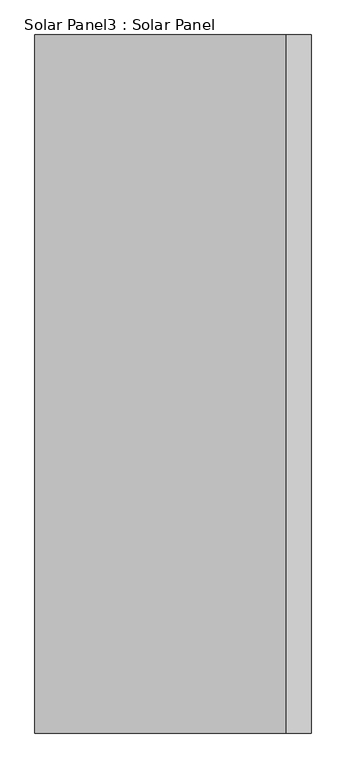
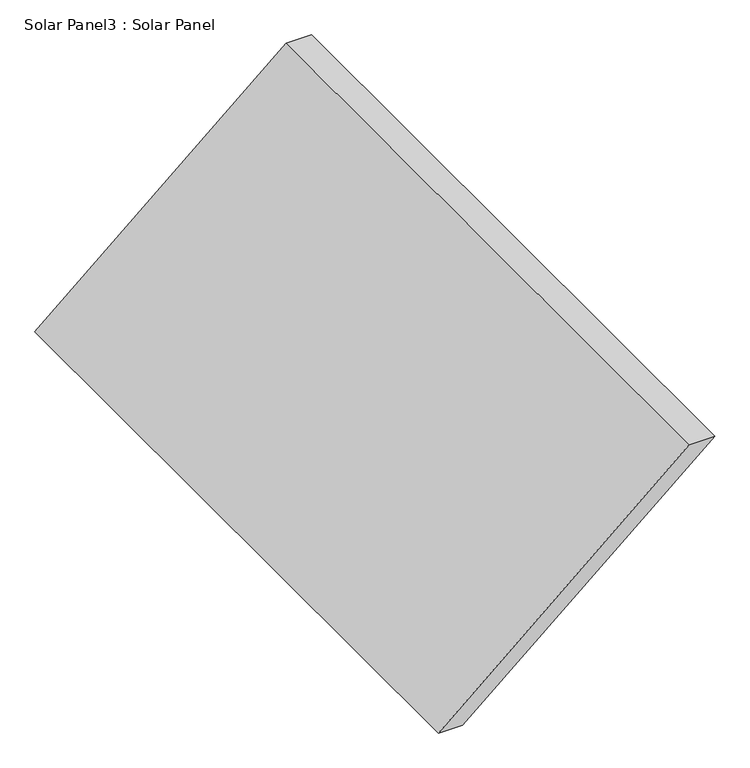
"""IFC4 building model written with IfcOpenShell, lengths in millimetres: air terminal geometry, Solar Panel3 : Solar Panel."""

from ifc_helpers import new_model, si_unit, frame, origin, place, context, project, spatial, polyline, outline, extrude, source, transform, mapped, element, save


def solar_panel3_solar_panel_8edbe91d(model_context):
    return source(origin(), model_context, "Body", "SweptSolid", [
        extrude(outline(polyline([(5700.0, 21398.9454633), (5700.0, 21498.9454633), (6600.0, 22545.8618954), (6600.0, 22439.9444116), (5700.0, 21398.9454633)])), frame((0.0, 8135.512651, 0.0), z_axis=(0.0, 1.0, 0.0), x_axis=(0.0, 0.0, 1.0)), (0.0, 0.0, 1.0), 2900.0),
    ])


if __name__ == "__main__":
    model = new_model("IFC4")
    model_context = context("Model", 3, world=origin())
    ifc_project = project(units=[si_unit("LENGTHUNIT", "METRE", prefix="MILLI")], contexts=[model_context])
    site = spatial("IfcSite", under=ifc_project)
    building = spatial("IfcBuilding", under=site)
    placement = place(None, origin())
    solar_panel3_solar_panel_shape = solar_panel3_solar_panel_8edbe91d(model_context)
    element("IfcAirTerminal", 1, ObjectType="Solar Panel3 : Solar Panel", at=placement, inside=building, context=model_context, shape_type="MappedRepresentation", body=[
        mapped(solar_panel3_solar_panel_shape, transform((0.0, 0.0, 0.0), x_axis=(1.0, 0.0, 0.0), y_axis=(0.0, 1.0, 0.0), z_axis=(0.0, 0.0, 1.0))),
    ])
    save(model, "model.ifc")
